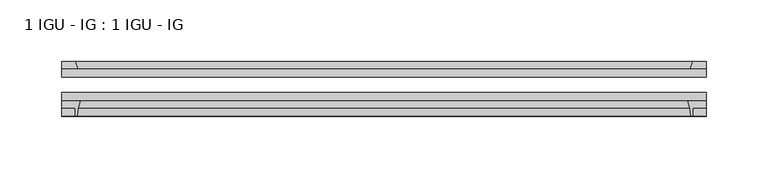
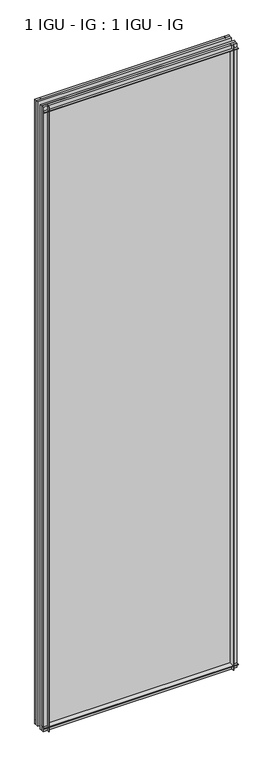
"""IFC4 building model written with IfcOpenShell, lengths in millimetres: plate geometry, 1 IGU - IG : 1 IGU - IG."""

from ifc_helpers import new_model, si_unit, point, frame, frame_2d, origin, place, context, project, spatial, polyline, circle_curve, trimmed, segment, composite_curve, outline, extrude, source, transform, mapped, element, save


def plate_1_igu_ig_1_igu_ig_c9ec4b3a(model_context):
    return source(origin(), model_context, "Body", "SweptSolid", [
        extrude(outline(polyline([(261.9375, -31.75), (261.9375, -38.1), (-261.9375, -38.1), (-261.9375, -31.75), (261.9375, -31.75)])), frame((0.0, 0.0, -11.1125), z_axis=(0.0, 0.0, 1.0), x_axis=(1.0, 0.0, 0.0)), (0.0, 0.0, 1.0), 1781.175),
        extrude(outline(polyline([(-261.9375, -12.7), (261.9375, -12.7), (261.9375, -19.05), (-261.9375, -19.05), (-261.9375, -12.7)])), frame((0.0, 0.0, -11.1125), z_axis=(0.0, 0.0, 1.0), x_axis=(1.0, 0.0, 0.0)), (0.0, 0.0, 1.0), 1781.175),
        extrude(outline(composite_curve([segment(polyline([(-261.9375, -38.1), (-246.6438207, -38.1)]), True, "CONTINUOUS"), segment(trimmed(circle_curve(frame_2d((-203.3848044, -53.3794536)), 45.8781451), [point((-246.6438207, -38.1))], [point((-249.1450572, -50.0925922))], True, "CARTESIAN"), True, "CONTINUOUS"), segment(trimmed(circle_curve(frame_2d((-249.9050991, -50.038)), 0.762), [point((-249.1450572, -50.0925922))], [point((-249.9050991, -50.8))], False, "CARTESIAN"), True, "CONTINUOUS"), segment(polyline([(-249.9050991, -50.8), (-250.825, -50.8), (-250.825, -44.45), (-261.9375, -44.45), (-261.9375, -38.1)]), True, "CONTINUOUS")], self_intersect=False)), frame((0.0, 0.0, -11.1125), z_axis=(0.0, 0.0, 1.0), x_axis=(1.0, 0.0, 0.0)), (0.0, 0.0, 1.0), 1781.175),
        extrude(outline(polyline([(-248.7197229, -12.7), (-261.9375, -12.7), (-261.9375, -6.35), (-250.825, -6.35), (-248.7197229, -12.7)])), frame((0.0, 0.0, -11.1125), z_axis=(0.0, 0.0, 1.0), x_axis=(1.0, 0.0, 0.0)), (0.0, 0.0, 1.0), 1781.175),
        extrude(outline(polyline([(261.9375, -12.7), (248.7197229, -12.7), (250.825, -6.35), (261.9375, -6.35), (261.9375, -12.7)])), frame((0.0, 0.0, -11.1125), z_axis=(0.0, 0.0, 1.0), x_axis=(1.0, 0.0, 0.0)), (0.0, 0.0, 1.0), 1781.175),
        extrude(outline(composite_curve([segment(polyline([(246.6438207, -38.1), (261.9375, -38.1), (261.9375, -44.45), (250.825, -44.45), (250.825, -50.8), (249.9050991, -50.8)]), True, "CONTINUOUS"), segment(trimmed(circle_curve(frame_2d((249.9050991, -50.038)), 0.762), [point((249.9050991, -50.8))], [point((249.1450572, -50.0925922))], False, "CARTESIAN"), True, "CONTINUOUS"), segment(trimmed(circle_curve(frame_2d((203.3848044, -53.3794536)), 45.8781451), [point((249.1450572, -50.0925922))], [point((246.6438207, -38.1))], True, "CARTESIAN"), True, "CONTINUOUS")], self_intersect=False)), frame((0.0, 0.0, -11.1125), z_axis=(0.0, 0.0, 1.0), x_axis=(1.0, 0.0, 0.0)), (0.0, 0.0, 1.0), 1781.175),
        extrude(outline(polyline([(-12.7, -11.1125), (-12.7, 2.1052771), (-6.35, 0.0), (-6.35, -11.1125), (-12.7, -11.1125)])), frame((-261.9375, 0.0, 0.0), z_axis=(1.0, 0.0, 0.0), x_axis=(0.0, 1.0, 0.0)), (0.0, 0.0, 1.0), 523.875),
        extrude(outline(composite_curve([segment(polyline([(-38.1, 4.1811793), (-38.1, -11.1125), (-44.45, -11.1125), (-44.45, 0.0), (-50.8, 0.0), (-50.8, 0.9199009)]), True, "CONTINUOUS"), segment(trimmed(circle_curve(frame_2d((-50.038, 0.9199009)), 0.762), [point((-50.8, 0.9199009))], [point((-50.0925922, 1.6799428))], False, "CARTESIAN"), True, "CONTINUOUS"), segment(trimmed(circle_curve(frame_2d((-53.3794536, 47.4401956)), 45.8781451), [point((-50.0925922, 1.6799428))], [point((-38.1, 4.1811793))], True, "CARTESIAN"), True, "CONTINUOUS")], self_intersect=False)), frame((-261.9375, 0.0, 0.0), z_axis=(1.0, 0.0, 0.0), x_axis=(0.0, 1.0, 0.0)), (0.0, 0.0, 1.0), 523.875),
        extrude(outline(polyline([(-6.35, 1758.95), (-12.7, 1756.8447229), (-12.7, 1770.0625), (-6.35, 1770.0625), (-6.35, 1758.95)])), frame((-261.9375, 0.0, 0.0), z_axis=(1.0, 0.0, 0.0), x_axis=(0.0, 1.0, 0.0)), (0.0, 0.0, 1.0), 523.875),
        extrude(outline(composite_curve([segment(polyline([(-38.1, 1770.0625), (-38.1, 1754.7688207)]), True, "CONTINUOUS"), segment(trimmed(circle_curve(frame_2d((-53.3794536, 1711.5098044)), 45.8781451), [point((-38.1, 1754.7688207))], [point((-50.0925922, 1757.2700572))], True, "CARTESIAN"), True, "CONTINUOUS"), segment(trimmed(circle_curve(frame_2d((-50.038, 1758.0300991)), 0.762), [point((-50.0925922, 1757.2700572))], [point((-50.8, 1758.0300991))], False, "CARTESIAN"), True, "CONTINUOUS"), segment(polyline([(-50.8, 1758.0300991), (-50.8, 1758.95), (-44.45, 1758.95), (-44.45, 1770.0625), (-38.1, 1770.0625)]), True, "CONTINUOUS")], self_intersect=False)), frame((-261.9375, 0.0, 0.0), z_axis=(1.0, 0.0, 0.0), x_axis=(0.0, 1.0, 0.0)), (0.0, 0.0, 1.0), 523.875),
    ])


if __name__ == "__main__":
    model = new_model("IFC4")
    model_context = context("Model", 3, world=origin())
    ifc_project = project(units=[si_unit("LENGTHUNIT", "METRE", prefix="MILLI")], contexts=[model_context])
    site = spatial("IfcSite", under=ifc_project)
    building = spatial("IfcBuilding", under=site)
    placement = place(None, origin())
    plate_1_igu_ig_1_igu_ig_shape = plate_1_igu_ig_1_igu_ig_c9ec4b3a(model_context)
    element("IfcPlate", 1, ObjectType="1 IGU - IG : 1 IGU - IG", at=placement, inside=building, context=model_context, shape_type="MappedRepresentation", body=[
        mapped(plate_1_igu_ig_1_igu_ig_shape, transform((0.0, 0.0, 0.0), x_axis=(1.0, 0.0, 0.0), y_axis=(0.0, 1.0, 0.0), z_axis=(0.0, 0.0, 1.0))),
    ])
    save(model, "model.ifc")
